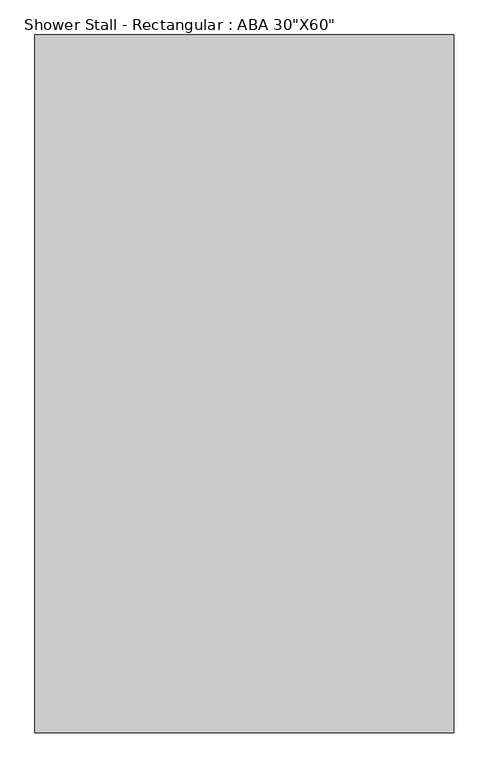
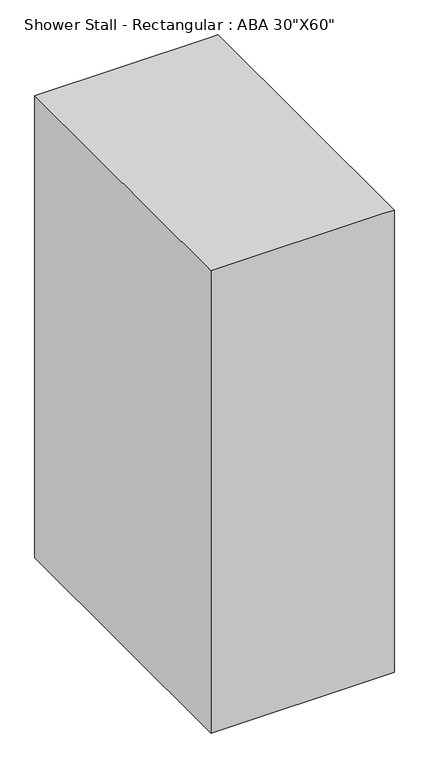
"""IFC4 building model written with IfcOpenShell, lengths in millimetres: flow terminal geometry."""

from ifc_helpers import new_model, si_unit, point, frame, frame_2d, origin, origin_with_axes, place, context, project, spatial, polyline, circle_curve, trimmed, segment, composite_curve, outline, extrude, faceted_brep, source, transform, mapped, element, save


def flow_terminal_fa19a9e2(model_context):
    return source(origin(), model_context, "Body", "SolidModel", [
        extrude(outline(composite_curve([segment(trimmed(circle_curve(frame_2d((457.2, 762.0)), 31.75), [point((425.45, 762.0))], [point((488.95, 762.0))], False, "CARTESIAN"), True, "CONTINUOUS"), segment(trimmed(circle_curve(frame_2d((457.2, 762.0)), 31.75), [point((488.95, 762.0))], [point((425.45, 762.0))], False, "CARTESIAN"), True, "CONTINUOUS")], self_intersect=False)), origin_with_axes(), (0.0, 0.0, 1.0), 101.6),
        faceted_brep([(0.0, 1524.0, 2438.4), (0.0, 0.0, 2438.4), (863.6, 0.0, 2438.4), (914.4, 0.0, 2438.4), (914.4, 1524.0, 2438.4), (863.6, 1524.0, 2438.4), (0.0, 0.0, 0.0), (0.0, 1524.0, 0.0), (863.6, 1524.0, 0.0), (914.4, 1524.0, 0.0), (914.4, 0.0, 0.0), (863.6, 0.0, 0.0), (914.4, 476.25, 2362.2), (914.4, 1047.75, 2362.2), (914.4, 1047.75, 101.6), (914.4, 476.25, 101.6), (50.8, 1473.2, 2362.2), (50.8, 50.8, 2362.2), (50.8, 50.8, 101.6), (50.8, 1473.2, 101.6), (863.6, 1473.2, 2362.2), (863.6, 1047.75, 2362.2), (863.6, 476.25, 2362.2), (863.6, 50.8, 2362.2), (863.6, 50.8, 101.6), (863.6, 476.25, 101.6), (863.6, 1047.75, 101.6), (863.6, 1473.2, 101.6)], [[[0, 1, 2, 3, 4, 5]], [[6, 7, 8, 9, 10, 11]], [[4, 9, 8, 7, 0, 5]], [[1, 0, 7, 6]], [[1, 6, 11, 10, 3, 2]], [[9, 4, 3, 10], [12, 13, 14, 15]], [[16, 17, 18, 19]], [[17, 16, 20, 21, 13, 12, 22, 23]], [[18, 17, 23, 24]], [[19, 18, 24, 25, 15, 14, 26, 27]], [[16, 19, 27, 20]], [[26, 21, 20, 27]], [[14, 13, 21, 26]], [[12, 15, 25, 22]], [[22, 25, 24, 23]]]),
        extrude(outline(polyline([(901.7, 1047.75), (901.7, 476.25), (869.95, 476.25), (869.95, 482.6), (895.35, 482.6), (895.35, 1041.4), (869.95, 1041.4), (869.95, 1047.75), (901.7, 1047.75)])), frame((0.0, 0.0, 762.0), z_axis=(0.0, 0.0, 1.0), x_axis=(1.0, 0.0, 0.0)), (0.0, 0.0, 1.0), 76.2),
        extrude(outline(polyline([(869.95, 1047.75), (869.95, 476.25), (863.6, 476.25), (863.6, 1047.75), (869.95, 1047.75)])), frame((0.0, 0.0, 101.6), z_axis=(0.0, 0.0, 1.0), x_axis=(1.0, 0.0, 0.0)), (0.0, 0.0, 1.0), 2260.6),
    ])


if __name__ == "__main__":
    model = new_model("IFC4")
    model_context = context("Model", 3, world=origin())
    ifc_project = project(units=[si_unit("LENGTHUNIT", "METRE", prefix="MILLI")], contexts=[model_context])
    site = spatial("IfcSite", under=ifc_project)
    building = spatial("IfcBuilding", under=site)
    placement = place(None, origin())
    flow_terminal_shape = flow_terminal_fa19a9e2(model_context)
    element("IfcFlowTerminal", 1, ObjectType="Shower Stall - Rectangular : ABA 30\"X60\"", at=placement, inside=building, context=model_context, shape_type="MappedRepresentation", body=[
        mapped(flow_terminal_shape, transform((0.0, 0.0, 0.0), x_axis=(1.0, 0.0, 0.0), y_axis=(0.0, 1.0, 0.0), z_axis=(0.0, 0.0, 1.0))),
    ])
    save(model, "model.ifc")
